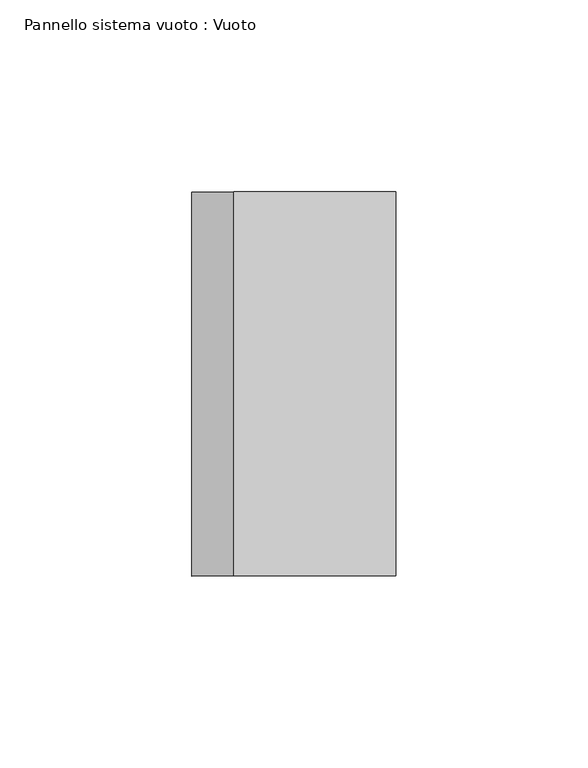
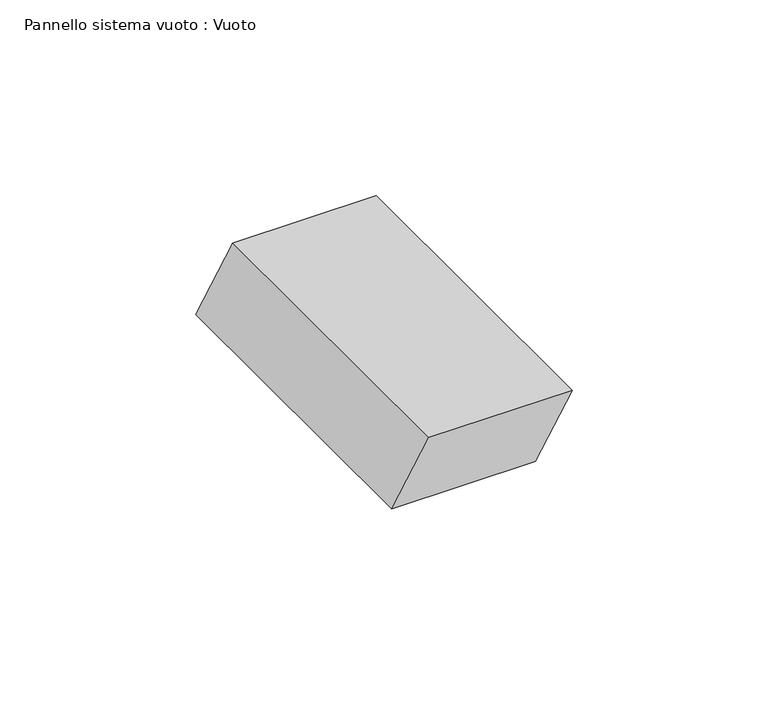
"""IFC4 building model written with IfcOpenShell, lengths in millimetres: plate geometry, Pannello sistema vuoto : Vuoto."""

from ifc_helpers import new_model, si_unit, frame, origin, place, context, project, spatial, polyline, outline, extrude, source, transform, mapped, element, save


def pannello_sistema_vuoto_vuoto_40557076(model_context):
    return source(origin(), model_context, "Body", "SweptSolid", [
        extrude(outline(polyline([(0.0, -26.5505907), (0.0, 15.6296857), (18.3563909, 26.5505907), (18.3563909, -15.6296857), (0.0, -26.5505907)])), frame((0.0, 50.0, 0.0), z_axis=(0.0, 1.0, 0.0), x_axis=(0.0, 0.0, 1.0)), (0.0, 0.0, 1.0), 100.0),
    ])


if __name__ == "__main__":
    model = new_model("IFC4")
    model_context = context("Model", 3, world=origin())
    ifc_project = project(units=[si_unit("LENGTHUNIT", "METRE", prefix="MILLI")], contexts=[model_context])
    site = spatial("IfcSite", under=ifc_project)
    building = spatial("IfcBuilding", under=site)
    placement = place(None, origin())
    pannello_sistema_vuoto_vuoto_shape = pannello_sistema_vuoto_vuoto_40557076(model_context)
    element("IfcPlate", 1, ObjectType="Pannello sistema vuoto : Vuoto", at=placement, inside=building, context=model_context, shape_type="MappedRepresentation", body=[
        mapped(pannello_sistema_vuoto_vuoto_shape, transform((0.0, 0.0, 0.0), x_axis=(1.0, 0.0, 0.0), y_axis=(0.0, 1.0, 0.0), z_axis=(0.0, 0.0, 1.0))),
    ])
    save(model, "model.ifc")
